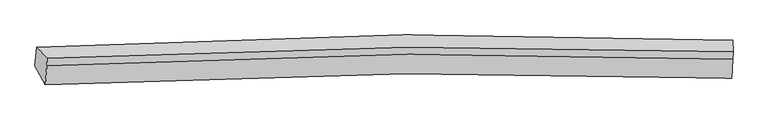
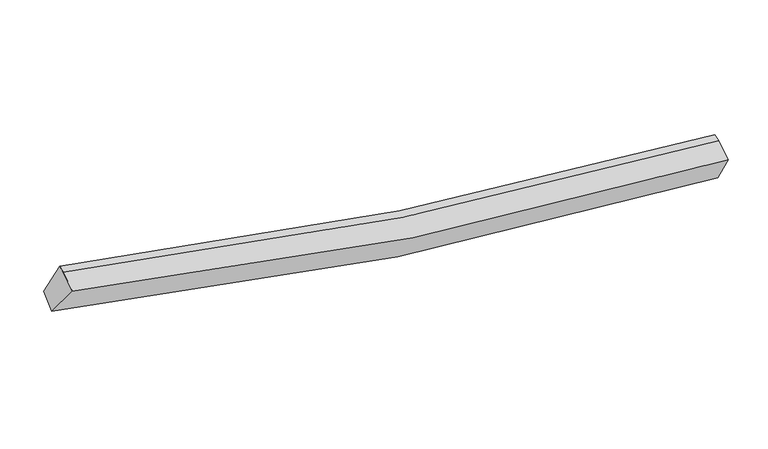
"""IFC4 building model written with IfcOpenShell, lengths in millimetres: proxy geometry."""

from ifc_helpers import new_model, si_unit, frame, origin, place, context, project, spatial, source, transform, mapped, element, save
from ifc_brep_helpers import plane_surface, spline_curve, spline_surface, advanced_brep


def generic_models_3394bf73(model_context):
    return source(origin(), model_context, "Body", "AdvancedBrep", [
        advanced_brep(
        [(-6139.2235938, -2549.7611329, 4314.5033405), (-6335.1536203, -2189.1257723, 3747.4464109), (6824.8376287, -2063.0576288, 1837.9420682), (6826.747081, -2426.3205984, 2436.3034714), (-6112.2608921, -2190.3549423, 4478.7127762), (6843.3112755, -2067.0552342, 2602.1906663), (-6106.3234149, -2053.7526891, 4526.9784034), (6849.2487527, -1930.452981, 2650.4562936), (-6297.7295918, -1839.4297213, 3943.9438068), (6841.8841888, -1713.6375487, 2037.7272902)],
        [
            (0, 1),
            (1, 2, spline_curve(3, [(-6335.1536203, -2189.1257723, 3747.4464109), (-4044.959506342, -2062.928105739, 3120.997213734), (-1736.058801098, -1991.821248912, 2647.766781826), (2654.615447427, -1961.609430816, 2044.113843757), (4732.378491576, -1990.69357313, 1880.842828305), (6824.8376287, -2063.0576288, 1837.9420682)], [4, 2, 4], [0.0, 23.02058691948048, 43.42480722929806])),
            (2, 3),
            (3, 0, spline_curve(3, [(6826.747081, -2426.3205984, 2436.3034714), (4756.710655081, -2355.093990954, 2479.665089386), (2705.113224195, -2326.419461915, 2640.876593098), (-1621.908920181, -2355.954032508, 3234.782504603), (-3892.301714466, -2425.775407107, 3699.637623844), (-6139.2235938, -2549.7611329, 4314.5033405)], [4, 2, 4], [0.0, 20.404220309817582, 43.42480722929806])),
            (4, 0),
            (3, 5),
            (5, 4, spline_curve(3, [(6843.3112755, -2067.0552342, 2602.1906663), (4777.237398134, -1993.330065325, 2666.328243158), (2728.505883446, -1963.320622014, 2838.430134041), (-1594.750826502, -1992.490696324, 3434.474521093), (-3864.543367276, -2063.600043157, 3887.879999382), (-6112.2608921, -2190.3549423, 4478.7127762)], [4, 2, 4], [0.0, 20.240379904711997, 43.07611769840445])),
            (6, 4),
            (5, 7),
            (7, 6, spline_curve(3, [(6849.2487527, -1930.452981, 2650.4562936), (4783.174875679, -1856.72781206, 2714.593870603), (2734.443360341, -1826.718368756, 2886.695761255), (-1588.813348958, -1855.88844319, 3482.740148278), (-3858.605889971, -1926.997789448, 3936.145626736), (-6106.3234149, -2053.7526891, 4526.9784034)], [4, 2, 4], [0.0, 20.225699988947238, 43.044875509163816])),
            (8, 6),
            (7, 9),
            (9, 8, spline_curve(3, [(6841.8841888, -1713.6375487, 2037.7272902), (4751.374729811, -1630.398810841, 2077.945376094), (2676.14492071, -1595.529414937, 2239.552273831), (-1707.896087921, -1624.260359831, 2841.831309858), (-4012.53753887, -1701.060479889, 3315.629917627), (-6297.7295918, -1839.4297213, 3943.9438068)], [4, 2, 4], [0.0, 20.377669882006327, 43.36830189892754])),
            (1, 8),
            (9, 2),
        ],
        [
            spline_surface(3, 3, [[(-6139.2235938, -2549.7611329, 4314.5033405), (-3892.30171478, -2425.775406788, 3699.637623494), (-1621.908920534, -2355.954032754, 3234.782504336), (2705.113224508, -2326.419461698, 2640.876593334), (4756.710655207, -2355.09399086, 2479.665089423), (6826.747081, -2426.3205984, 2436.3034714)], [(-6204.533602641, -2429.54934604, 4125.484363967), (-3943.187645316, -2304.826306478, 3506.757486845), (-1659.958880693, -2234.576438108, 3039.11059679), (2688.280632109, -2204.816118096, 2441.955676867), (4748.599934011, -2233.627185033, 2280.057669004), (6826.110596904, -2305.232941855, 2236.849670321)], [(-6269.843611459, -2309.33755916, 3936.465387433), (-3994.073575831, -2183.877206148, 3313.877350196), (-1698.00884083, -2113.198843466, 2843.438689211), (2671.44803973, -2083.212774499, 2243.034760366), (4740.489212804, -2112.160379241, 2080.45024862), (6825.474112796, -2184.145285345, 2037.395869279)], [(-6335.1536203, -2189.1257723, 3747.4464109), (-4044.959506367, -2062.928105838, 3120.997213547), (-1736.058800989, -1991.82124882, 2647.766781666), (2654.615447331, -1961.609430898, 2044.113843899), (4732.378491608, -1990.693573413, 1880.842828201), (6824.8376287, -2063.0576288, 1837.9420682)]], [4, 4], [4, 2, 4], [0.0, 2.2962028707362174], [0.0, 23.02058691948048, 43.42480722929806]),
            spline_surface(3, 3, [[(-6112.2608921, -2190.3549423, 4478.7127762), (-3864.543367313, -2063.60004293, 3887.879999741), (-1594.750826379, -1992.490696614, 3434.474520879), (2728.505883337, -1963.320621757, 2838.430134231), (4777.237398319, -1993.330065359, 2666.328243113), (6843.3112755, -2067.0552342, 2602.1906663)], [(-6121.248459335, -2310.157005812, 4423.976297623), (-3873.796149803, -2184.325164195, 3825.132540981), (-1603.803524438, -2113.645141982, 3367.910515353), (2720.708330387, -2084.353568392, 2772.57895392), (4770.395150633, -2113.918040517, 2604.107191885), (6837.789877351, -2186.810355591, 2546.894934668)], [(-6130.236026565, -2429.959069388, 4369.239819077), (-3883.048932289, -2305.050285523, 3762.385082253), (-1612.856222476, -2234.799587386, 3301.346509862), (2712.910777458, -2205.386515063, 2706.727773645), (4763.552902893, -2234.506015702, 2541.886140651), (6832.268479149, -2306.565477009, 2491.599203032)], [(-6139.2235938, -2549.7611329, 4314.5033405), (-3892.30171478, -2425.775406788, 3699.637623494), (-1621.908920534, -2355.954032754, 3234.782504336), (2705.113224508, -2326.419461698, 2640.876593334), (4756.710655207, -2355.09399086, 2479.665089423), (6826.747081, -2426.3205984, 2436.3034714)]], [4, 4], [4, 2, 4], [0.0, 1.3609836571836655], [0.0, 22.835737793692456, 43.07611769840445]),
            spline_surface(3, 3, [[(-6106.3234149, -2053.7526891, 4526.9784034), (-3858.605890113, -1926.99778973, 3936.145626941), (-1588.813349179, -1855.888443414, 3482.740148079), (2734.443360537, -1826.718368557, 2886.695761431), (4783.174875519, -1856.727812159, 2714.593870413), (6849.2487527, -1930.452981, 2650.4562936)], [(-6108.302573969, -2099.286773516, 4510.889860991), (-3860.585049182, -1972.531874146, 3920.057084531), (-1590.792508248, -1901.42252783, 3466.65160567), (2732.464201467, -1872.252452973, 2870.607219021), (4781.19571645, -1902.261896575, 2698.505328004), (6847.269593631, -1975.987065416, 2634.367751191)], [(-6110.281733031, -2144.820857884, 4494.801318609), (-3862.564208243, -2018.065958513, 3903.96854215), (-1592.77166731, -1946.956612198, 3450.563063289), (2730.485042406, -1917.786537341, 2854.51867664), (4779.216557389, -1947.795980943, 2682.416785523), (6845.290434569, -2021.521149784, 2618.279208709)], [(-6112.2608921, -2190.3549423, 4478.7127762), (-3864.543367313, -2063.60004293, 3887.879999741), (-1594.750826379, -1992.490696614, 3434.474520879), (2728.505883337, -1963.320621757, 2838.430134231), (4777.237398319, -1993.330065359, 2666.328243113), (6843.3112755, -2067.0552342, 2602.1906663)]], [4, 4], [4, 2, 4], [0.0, 0.4757217847769008], [0.0, 22.81917552021658, 43.044875509163816]),
            spline_surface(3, 3, [[(-6297.7295918, -1839.4297213, 3943.9438068), (-4012.537539037, -1701.060480172, 3315.629917722), (-1707.896088051, -1624.260359919, 2841.83130995), (2676.144920826, -1595.529414859, 2239.55227375), (4751.374730048, -1630.398810953, 2077.945375924), (6841.8841888, -1713.6375487, 2037.7272902)], [(-6233.927532835, -1910.870710551, 4138.288672364), (-3961.226989397, -1776.372916676, 3522.468487492), (-1668.201841736, -1701.469721083, 3055.467589352), (2695.577734088, -1672.592399424, 2455.266769669), (4761.974778517, -1705.841811366, 2290.161540725), (6844.339043411, -1785.909359478, 2241.970291305)], [(-6170.125473865, -1982.311699849, 4332.633537836), (-3909.916439753, -1851.685353227, 3729.30705717), (-1628.507595495, -1778.67908225, 3269.103868677), (2715.010547275, -1749.655383993, 2670.981265512), (4772.574827051, -1781.284811746, 2502.377705612), (6846.793898089, -1858.181170222, 2446.213292495)], [(-6106.3234149, -2053.7526891, 4526.9784034), (-3858.605890113, -1926.99778973, 3936.145626941), (-1588.813349179, -1855.888443414, 3482.740148079), (2734.443360537, -1826.718368557, 2886.695761431), (4783.174875519, -1856.727812159, 2714.593870413), (6849.2487527, -1930.452981, 2650.4562936)]], [4, 4], [4, 2, 4], [0.0, 2.263879988167523], [0.0, 22.990632016921214, 43.36830189892754]),
            spline_surface(3, 3, [[(-6335.1536203, -2189.1257723, 3747.4464109), (-4044.959506367, -2062.928105838, 3120.997213547), (-1736.058800989, -1991.82124882, 2647.766781666), (2654.615447331, -1961.609430898, 2044.113843899), (4732.378491608, -1990.693573413, 1880.842828201), (6824.8376287, -2063.0576288, 1837.9420682)], [(-6322.678944121, -2072.560421981, 3812.945542856), (-4034.152183911, -1942.305563963, 3185.874781594), (-1726.671230018, -1869.300952519, 2712.454957745), (2661.791938488, -1839.582758883, 2109.259987167), (4738.710571091, -1870.595319253, 1946.543677457), (6830.519815403, -1946.58426876, 1904.537142215)], [(-6310.204267979, -1955.995071619, 3878.444674844), (-4023.344861493, -1821.683022047, 3250.752349674), (-1717.283659023, -1746.780656221, 2777.143133871), (2668.968429669, -1717.556086874, 2174.406130482), (4745.042650565, -1750.497065113, 2012.244526668), (6836.202002097, -1830.11090874, 1971.132216185)], [(-6297.7295918, -1839.4297213, 3943.9438068), (-4012.537539037, -1701.060480172, 3315.629917722), (-1707.896088051, -1624.260359919, 2841.83130995), (2676.144920826, -1595.529414859, 2239.55227375), (4751.374730048, -1630.398810953, 2077.945375924), (6841.8841888, -1713.6375487, 2037.7272902)]], [4, 4], [4, 2, 4], [0.0, 1.3650626782353081], [0.0, 23.175497986976865, 43.71702320394912]),
            plane_surface(frame((6837.2057853, -2040.1047982, 2312.923958), z_axis=(0.9990970325506441, -0.034828744819068023, -0.024332654660468397), x_axis=(-0.040948118676420536, -0.9420845051644982, -0.3328663946778414))),
            plane_surface(frame((-6198.1382225, -2164.4848516, 4202.3169476), z_axis=(-0.9547827278319689, -0.061290021791767166, 0.29091833194645705), x_axis=(0.2799000378881554, -0.5151933722564278, 0.8100813279993924))),
        ],
        [
            (0, [[1, 2, 3, 4]]),
            (1, [[5, -4, 6, 7]]),
            (2, [[8, -7, 9, 10]]),
            (3, [[11, -10, 12, 13]]),
            (4, [[14, -13, 15, -2]]),
            (5, [[-9, -6, -3, -15, -12]]),
            (6, [[-1, -5, -8, -11, -14]]),
        ],
    ),
    ])


if __name__ == "__main__":
    model = new_model("IFC4")
    model_context = context("Model", 3, world=origin())
    ifc_project = project(units=[si_unit("LENGTHUNIT", "METRE", prefix="MILLI")], contexts=[model_context])
    site = spatial("IfcSite", under=ifc_project)
    building = spatial("IfcBuilding", under=site)
    placement = place(None, origin())
    generic_models_shape = generic_models_3394bf73(model_context)
    element("IfcBuildingElementProxy", 1, Name="Generic Models", at=placement, inside=building, context=model_context, shape_type="MappedRepresentation", body=[
        mapped(generic_models_shape, transform((0.0, 0.0, 0.0), x_axis=(1.0, 0.0, 0.0), y_axis=(0.0, 1.0, 0.0), z_axis=(0.0, 0.0, 1.0))),
    ])
    save(model, "model.ifc")
